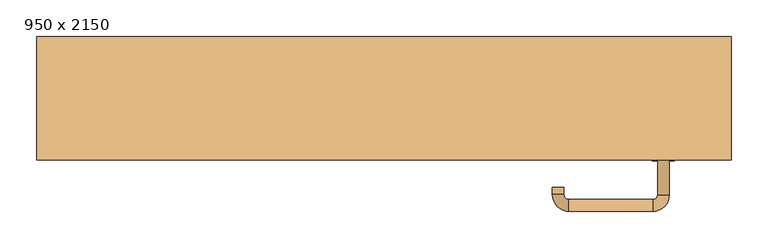
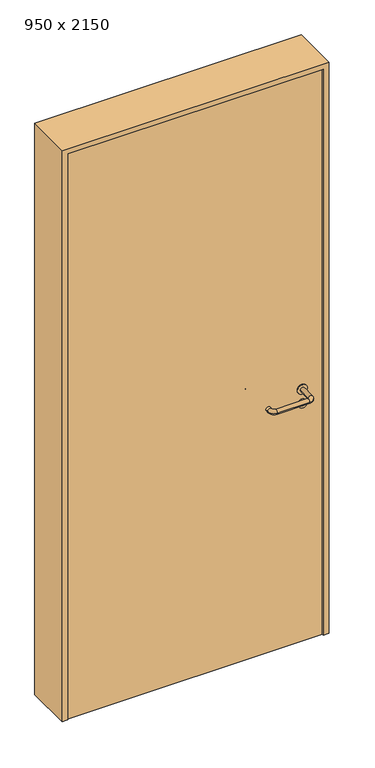
"""IFC4 building model written with IfcOpenShell, lengths in millimetres: door geometry, 950 x 2150."""

from ifc_helpers import new_model, si_unit, point, frame, frame_2d, origin, origin_with_axes, place, context, project, spatial, polyline, circle_curve, ellipse_curve, trimmed, segment, composite_curve, outline, extrude, source, transform, mapped, element, save
from ifc_brep_helpers import plane_surface, cylinder_surface, revolved_surface, advanced_brep


def door_950_x_2150_7a141678(model_context):
    return source(origin(), model_context, "Body", "SolidModel", [
        extrude(outline(composite_curve([segment(trimmed(circle_curve(frame_2d((897.3605726, 382.0)), 15.0), [point((897.3605726, 397.0))], [point((897.3605726, 367.0))], False, "CARTESIAN"), True, "CONTINUOUS"), segment(trimmed(circle_curve(frame_2d((897.3605726, 382.0)), 15.0), [point((897.3605726, 367.0))], [point((897.3605726, 397.0))], False, "CARTESIAN"), True, "CONTINUOUS")], self_intersect=False), holes=[composite_curve([segment(trimmed(circle_curve(frame_2d((892.5833211, 381.9398032)), 2.0), [point((892.5833211, 383.9398032))], [point((892.5833211, 379.9398032))], True, "CARTESIAN"), True, "CONTINUOUS"), segment(polyline([(892.5833211, 379.9398032), (902.5833211, 379.9398032)]), True, "CONTINUOUS"), segment(trimmed(circle_curve(frame_2d((902.5833211, 381.9398032)), 2.0), [point((902.5833211, 379.9398032))], [point((902.5833211, 383.9398032))], True, "CARTESIAN"), True, "CONTINUOUS"), segment(polyline([(902.5833211, 383.9398032), (892.5833211, 383.9398032)]), True, "CONTINUOUS")], self_intersect=False)]), frame((0.0, -50.0, 0.0), z_axis=(0.0, 1.0, 0.0), x_axis=(0.0, 0.0, 1.0)), (0.0, 0.0, 1.0), 6.35),
        extrude(outline(composite_curve([segment(trimmed(circle_curve(frame_2d((950.0, 382.0)), 17.526), [point((950.0, 399.526))], [point((950.0, 364.474))], False, "CARTESIAN"), True, "CONTINUOUS"), segment(trimmed(circle_curve(frame_2d((950.0, 382.0)), 17.526), [point((950.0, 364.474))], [point((950.0, 399.526))], False, "CARTESIAN"), True, "CONTINUOUS")], self_intersect=False)), frame((0.0, -50.0, 0.0), z_axis=(0.0, 1.0, 0.0), x_axis=(0.0, 0.0, 1.0)), (0.0, 0.0, 1.0), 3.175),
        advanced_brep(
        [(390.0, -50.0, 950.0), (374.0, -50.0, 950.0), (390.0, 3.0, 950.0), (374.0, 3.0, 950.0), (367.8578644, 9.1421356, 950.0), (367.8578644, 25.1421356, 950.0), (252.8578644, 25.1421356, 950.0), (252.8578644, 9.1421356, 950.0), (246.008622, 2.2928932, 950.0), (230.008622, 2.2928932, 950.0), (230.008622, -7.7071068, 950.0), (246.008622, -7.7071068, 950.0)],
        [
            (0, 1, circle_curve(frame((382.0, -50.0, 950.0), z_axis=(0.0, -1.0, 0.0), x_axis=(-1.0, 0.0, 0.0)), 8.0)),
            (1, 0, circle_curve(frame((382.0, -50.0, 950.0), z_axis=(0.0, -1.0, 0.0), x_axis=(-1.0, 0.0, 0.0)), 8.0)),
            (0, 2),
            (2, 3, circle_curve(frame((382.0, 3.0, 950.0), z_axis=(0.0, -1.0, 0.0), x_axis=(-1.0, 0.0, 0.0)), 8.0)),
            (3, 1),
            (3, 2, circle_curve(frame((382.0, 3.0, 950.0), z_axis=(0.0, -1.0, 0.0), x_axis=(-1.0, 0.0, 0.0)), 8.0)),
            (4, 3, circle_curve(frame((367.8578644, 3.0, 950.0), z_axis=(0.0, 0.0, -1.0), x_axis=(1.0, 0.0, 0.0)), 6.1421356)),
            (2, 5, circle_curve(frame((367.8578644, 3.0, 950.0), z_axis=(0.0, 0.0, 1.0), x_axis=(1.0, 0.0, 0.0)), 22.1421356)),
            (5, 4, circle_curve(frame((367.8578644, 17.1421356, 950.0), z_axis=(1.0, 0.0, 0.0), x_axis=(0.0, -1.0, 0.0)), 8.0)),
            (4, 5, circle_curve(frame((367.8578644, 17.1421356, 950.0), z_axis=(1.0, 0.0, 0.0), x_axis=(0.0, -1.0, 0.0)), 8.0)),
            (5, 6),
            (6, 7, circle_curve(frame((252.8578644, 17.1421356, 950.0), z_axis=(1.0, 0.0, 0.0), x_axis=(0.0, -1.0, 0.0)), 8.0)),
            (7, 4),
            (7, 6, circle_curve(frame((252.8578644, 17.1421356, 950.0), z_axis=(1.0, 0.0, 0.0), x_axis=(0.0, -1.0, 0.0)), 8.0)),
            (8, 7, circle_curve(frame((252.8578644, 2.2928932, 950.0), z_axis=(0.0, 0.0, -1.0), x_axis=(0.0, 1.0, 0.0)), 6.8492424)),
            (6, 9, circle_curve(frame((252.8578644, 2.2928932, 950.0), z_axis=(0.0, 0.0, 1.0), x_axis=(0.0, 1.0, 0.0)), 22.8492424)),
            (9, 8, circle_curve(frame((238.008622, 2.2928932, 950.0), z_axis=(0.0, 1.0, 0.0), x_axis=(1.0, 0.0, 0.0)), 8.0)),
            (8, 9, circle_curve(frame((238.008622, 2.2928932, 950.0), z_axis=(0.0, 1.0, 0.0), x_axis=(1.0, 0.0, 0.0)), 8.0)),
            (10, 11, circle_curve(frame((238.008622, -7.7071068, 950.0), z_axis=(0.0, -1.0, 0.0), x_axis=(1.0, 0.0, 0.0)), 8.0)),
            (11, 10, circle_curve(frame((238.008622, -7.7071068, 950.0), z_axis=(0.0, -1.0, 0.0), x_axis=(1.0, 0.0, 0.0)), 8.0)),
            (9, 10),
            (11, 8),
        ],
        [
            plane_surface(frame((382.0, -50.0, 0.0), z_axis=(0.0, -1.0, 0.0), x_axis=(0.0, 0.0, 1.0))),
            cylinder_surface(frame((382.0, -50.0, 950.0), z_axis=(0.0, -1.0, 0.0), x_axis=(-1.0, 0.0, 0.0)), 8.0),
            revolved_surface(trimmed(ellipse_curve(frame((382.0, 3.0, 950.0), z_axis=(0.0, -1.0, 0.0), x_axis=(-1.0, 0.0, 0.0)), 8.0, 8.0), [point((390.0, 3.0, 950.0))], [point((374.0, 3.0, 950.0))], True, "CARTESIAN"), (367.8578644, 3.0, 0.0), (0.0, 0.0, 1.0)),
            revolved_surface(trimmed(ellipse_curve(frame((382.0, 3.0, 950.0), z_axis=(0.0, -1.0, 0.0), x_axis=(-1.0, 0.0, 0.0)), 8.0, 8.0), [point((374.0, 3.0, 950.0))], [point((390.0, 3.0, 950.0))], True, "CARTESIAN"), (367.8578644, 3.0, 0.0), (0.0, 0.0, 1.0)),
            cylinder_surface(frame((367.8578644, 17.1421356, 950.0), z_axis=(1.0, 0.0, 0.0), x_axis=(0.0, -1.0, 0.0)), 8.0),
            revolved_surface(trimmed(ellipse_curve(frame((252.8578644, 17.1421356, 950.0), z_axis=(1.0, 0.0, 0.0), x_axis=(0.0, -1.0, 0.0)), 8.0, 8.0), [point((252.8578644, 25.1421356, 950.0))], [point((252.8578644, 9.1421356, 950.0))], True, "CARTESIAN"), (252.8578644, 2.2928932, 0.0), (0.0, 0.0, 1.0)),
            revolved_surface(trimmed(ellipse_curve(frame((252.8578644, 17.1421356, 950.0), z_axis=(1.0, 0.0, 0.0), x_axis=(0.0, -1.0, 0.0)), 8.0, 8.0), [point((252.8578644, 9.1421356, 950.0))], [point((252.8578644, 25.1421356, 950.0))], True, "CARTESIAN"), (252.8578644, 2.2928932, 0.0), (0.0, 0.0, 1.0)),
            plane_surface(frame((238.008622, -7.7071068, 0.0), z_axis=(0.0, -1.0, 0.0), x_axis=(0.0, 0.0, 1.0))),
            cylinder_surface(frame((238.008622, 2.2928932, 950.0), z_axis=(0.0, 1.0, 0.0), x_axis=(1.0, 0.0, 0.0)), 8.0),
        ],
        [
            (0, [[1, 2]]),
            (1, [[-1, 3, 4, 5]]),
            (1, [[-2, -5, 6, -3]]),
            (2, [[7, -4, 8, 9]]),
            (3, [[-8, -6, -7, 10]]),
            (4, [[-9, 11, 12, 13]]),
            (4, [[-10, -13, 14, -11]]),
            (5, [[15, -12, 16, 17]]),
            (6, [[-16, -14, -15, 18]]),
            (7, [[19, 20]]),
            (8, [[-17, 21, -20, 22]]),
            (8, [[-18, -22, -19, -21]]),
        ],
    ),
        extrude(outline(composite_curve([segment(trimmed(circle_curve(frame_2d((0.0, 15.0)), 15.0), [point((0.0, 30.0))], [point((0.0, 0.0))], False, "CARTESIAN"), True, "CONTINUOUS"), segment(trimmed(circle_curve(frame_2d((0.0, 15.0)), 15.0), [point((0.0, 0.0))], [point((0.0, 30.0))], False, "CARTESIAN"), True, "CONTINUOUS")], self_intersect=False), holes=[composite_curve([segment(trimmed(circle_curve(frame_2d((-4.7772515, 14.9398032)), 2.0), [point((-4.7772515, 16.9398032))], [point((-4.7772515, 12.9398032))], True, "CARTESIAN"), True, "CONTINUOUS"), segment(polyline([(-4.7772515, 12.9398032), (5.2227485, 12.9398032)]), True, "CONTINUOUS"), segment(trimmed(circle_curve(frame_2d((5.2227485, 14.9398032)), 2.0), [point((5.2227485, 12.9398032))], [point((5.2227485, 16.9398032))], True, "CARTESIAN"), True, "CONTINUOUS"), segment(polyline([(5.2227485, 16.9398032), (-4.7772515, 16.9398032)]), True, "CONTINUOUS")], self_intersect=False)]), frame((367.0, -86.35, 897.3605726), z_axis=(-1.8870575173328306e-12, 1.0, 0.0), x_axis=(0.0, 0.0, 1.0)), (0.0, 0.0, 1.0), 6.35),
        extrude(outline(composite_curve([segment(trimmed(circle_curve(frame_2d((0.0, 17.526)), 17.526), [point((0.0, 35.052))], [point((0.0, 0.0))], False, "CARTESIAN"), True, "CONTINUOUS"), segment(trimmed(circle_curve(frame_2d((0.0, 17.526)), 17.526), [point((0.0, 0.0))], [point((0.0, 35.052))], False, "CARTESIAN"), True, "CONTINUOUS")], self_intersect=False)), frame((364.474, -83.175, 950.0), z_axis=(-1.8870575173328306e-12, 1.0, 0.0), x_axis=(0.0, 0.0, 1.0)), (0.0, 0.0, 1.0), 3.175),
        advanced_brep(
        [(390.0, -80.0, 950.0), (374.0, -80.0, 950.0), (374.0, -133.0, 950.0), (390.0, -133.0, 950.0), (367.8578644, -139.1421356, 950.0), (367.8578644, -155.1421356, 950.0), (252.8578644, -139.1421356, 950.0), (252.8578644, -155.1421356, 950.0), (246.008622, -132.2928932, 950.0), (230.008622, -132.2928932, 950.0), (230.008622, -122.2928932, 950.0), (246.008622, -122.2928932, 950.0)],
        [
            (0, 1, circle_curve(frame((382.0, -80.0, 950.0), z_axis=(-1.888672253512351e-12, 1.0, 0.0), x_axis=(-1.0, -1.888672253512351e-12, 0.0)), 8.0)),
            (1, 0, circle_curve(frame((382.0, -80.0, 950.0), z_axis=(-1.888672253512351e-12, 1.0, 0.0), x_axis=(-1.0, -1.888672253512351e-12, 0.0)), 8.0)),
            (1, 2),
            (2, 3, circle_curve(frame((382.0, -133.0, 950.0), z_axis=(-1.888672253512351e-12, 1.0, 0.0), x_axis=(-1.0, -1.888672253512351e-12, 0.0)), 8.0)),
            (3, 0),
            (3, 2, circle_curve(frame((382.0, -133.0, 950.0), z_axis=(-1.888672253512351e-12, 1.0, 0.0), x_axis=(-1.0, -1.888672253512351e-12, 0.0)), 8.0)),
            (4, 5, circle_curve(frame((367.8578644, -147.1421356, 950.0), z_axis=(1.0, 1.913702061528922e-12, 0.0), x_axis=(-1.913702061528922e-12, 1.0, 0.0)), 8.0)),
            (5, 3, circle_curve(frame((367.8578644, -133.0, 950.0), z_axis=(0.0, 0.0, 1.0), x_axis=(1.0, 1.880717803715015e-12, 0.0)), 22.1421356)),
            (2, 4, circle_curve(frame((367.8578644, -133.0, 950.0), z_axis=(0.0, 0.0, -1.0), x_axis=(1.0, 1.880717803715015e-12, 0.0)), 6.1421356)),
            (5, 4, circle_curve(frame((367.8578644, -147.1421356, 950.0), z_axis=(1.0, 1.913702061528922e-12, 0.0), x_axis=(-1.913702061528922e-12, 1.0, 0.0)), 8.0)),
            (4, 6),
            (6, 7, circle_curve(frame((252.8578644, -147.1421356, 950.0), z_axis=(1.0, 1.913719828541269e-12, 0.0), x_axis=(-1.913719828541269e-12, 1.0, 0.0)), 8.0)),
            (7, 5),
            (7, 6, circle_curve(frame((252.8578644, -147.1421356, 950.0), z_axis=(1.0, 1.913719828541269e-12, 0.0), x_axis=(-1.913719828541269e-12, 1.0, 0.0)), 8.0)),
            (8, 9, circle_curve(frame((238.008622, -132.2928932, 950.0), z_axis=(1.8888942981172756e-12, -1.0, 0.0), x_axis=(1.0, 1.8888942981172756e-12, 0.0)), 8.0)),
            (9, 7, circle_curve(frame((252.8578644, -132.2928932, 950.0), z_axis=(0.0, 0.0, 1.0), x_axis=(1.9120873253494017e-12, -1.0, 0.0)), 22.8492424)),
            (6, 8, circle_curve(frame((252.8578644, -132.2928932, 950.0), z_axis=(0.0, 0.0, -1.0), x_axis=(1.9120873253494017e-12, -1.0, 0.0)), 6.8492424)),
            (9, 8, circle_curve(frame((238.008622, -132.2928932, 950.0), z_axis=(1.890448610351751e-12, -1.0, 0.0), x_axis=(1.0, 1.890448610351751e-12, 0.0)), 8.0)),
            (10, 11, circle_curve(frame((238.008622, -122.2928932, 950.0), z_axis=(-1.8903642334018795e-12, 1.0, 0.0), x_axis=(1.0, 1.8903642334018795e-12, 0.0)), 8.0)),
            (11, 10, circle_curve(frame((238.008622, -122.2928932, 950.0), z_axis=(-1.8903642334018795e-12, 1.0, 0.0), x_axis=(1.0, 1.8903642334018795e-12, 0.0)), 8.0)),
            (8, 11),
            (10, 9),
        ],
        [
            plane_surface(frame((382.0, -80.0, 0.0), z_axis=(-1.8870575173328306e-12, 1.0, 0.0), x_axis=(0.0, 0.0, 1.0))),
            cylinder_surface(frame((382.0, -80.0, 950.0), z_axis=(-1.888672253512351e-12, 1.0, 0.0), x_axis=(-1.0, -1.888672253512351e-12, 0.0)), 8.0),
            revolved_surface(trimmed(ellipse_curve(frame((382.0, -133.0, 950.0), z_axis=(1.8823325398945356e-12, -1.0, 0.0), x_axis=(-1.0, -1.8823325398945356e-12, 0.0)), 8.0, 8.0), [point((390.0, -133.0, 950.0))], [point((374.0, -133.0, 950.0))], True, "CARTESIAN"), (367.8578644, -133.0, 0.0), (0.0, 0.0, 1.0)),
            revolved_surface(trimmed(ellipse_curve(frame((382.0, -133.0, 950.0), z_axis=(1.8823325398945356e-12, -1.0, 0.0), x_axis=(-1.0, -1.8823325398945356e-12, 0.0)), 8.0, 8.0), [point((374.0, -133.0, 950.0))], [point((390.0, -133.0, 950.0))], True, "CARTESIAN"), (367.8578644, -133.0, 0.0), (0.0, 0.0, 1.0)),
            cylinder_surface(frame((367.8578644, -147.1421356, 950.0), z_axis=(1.0, 1.913719828541269e-12, 0.0), x_axis=(-1.913719828541269e-12, 1.0, 0.0)), 8.0),
            revolved_surface(trimmed(ellipse_curve(frame((252.8578644, -147.1421356, 950.0), z_axis=(-1.0, -1.913702061528922e-12, 0.0), x_axis=(-1.913702061528922e-12, 1.0, 0.0)), 8.0, 8.0), [point((252.8578644, -155.1421356, 950.0))], [point((252.8578644, -139.1421356, 950.0))], True, "CARTESIAN"), (252.8578644, -132.2928932, 0.0), (0.0, 0.0, 1.0)),
            revolved_surface(trimmed(ellipse_curve(frame((252.8578644, -147.1421356, 950.0), z_axis=(-1.0, -1.913702061528922e-12, 0.0), x_axis=(-1.913702061528922e-12, 1.0, 0.0)), 8.0, 8.0), [point((252.8578644, -139.1421356, 950.0))], [point((252.8578644, -155.1421356, 950.0))], True, "CARTESIAN"), (252.8578644, -132.2928932, 0.0), (0.0, 0.0, 1.0)),
            plane_surface(frame((238.008622, -122.2928932, 0.0), z_axis=(-1.8887494972223595e-12, 1.0, 0.0), x_axis=(0.0, 0.0, 1.0))),
            cylinder_surface(frame((238.008622, -132.2928932, 950.0), z_axis=(1.8903642334018795e-12, -1.0, 0.0), x_axis=(1.0, 1.8903642334018795e-12, 0.0)), 8.0),
        ],
        [
            (0, [[1, 2]]),
            (1, [[3, 4, 5, -2]]),
            (1, [[-5, 6, -3, -1]]),
            (2, [[7, 8, -4, 9]]),
            (3, [[10, -9, -6, -8]]),
            (4, [[11, 12, 13, -7]]),
            (4, [[-13, 14, -11, -10]]),
            (5, [[15, 16, -12, 17]]),
            (6, [[18, -17, -14, -16]]),
            (7, [[19, 20]]),
            (8, [[21, -19, 22, -15]]),
            (8, [[-22, -20, -21, -18]]),
        ],
    ),
        extrude(outline(polyline([(2130.0, 455.0), (0.0, 455.0), (0.0, 475.0), (2150.0, 475.0), (2150.0, -475.0), (0.0, -475.0), (0.0, -455.0), (2130.0, -455.0), (2130.0, 455.0)])), frame((0.0, -85.0, 0.0), z_axis=(0.0, 1.0, 0.0), x_axis=(0.0, 0.0, 1.0)), (0.0, 0.0, 1.0), 169.0),
        extrude(outline(polyline([(-455.0, -80.0), (-455.0, -50.0), (455.0, -50.0), (455.0, -80.0), (-455.0, -80.0)])), origin_with_axes(), (0.0, 0.0, 1.0), 2130.0),
    ])


if __name__ == "__main__":
    model = new_model("IFC4")
    model_context = context("Model", 3, world=origin())
    ifc_project = project(units=[si_unit("LENGTHUNIT", "METRE", prefix="MILLI")], contexts=[model_context])
    site = spatial("IfcSite", under=ifc_project)
    building = spatial("IfcBuilding", under=site)
    placement = place(None, origin())
    door_950_x_2150_shape = door_950_x_2150_7a141678(model_context)
    element("IfcDoor", 1, ObjectType="950 x 2150", at=placement, inside=building, context=model_context, shape_type="MappedRepresentation", body=[
        mapped(door_950_x_2150_shape, transform((0.0, 0.0, 0.0), x_axis=(1.0, 0.0, 0.0), y_axis=(0.0, 1.0, 0.0), z_axis=(0.0, 0.0, 1.0))),
    ])
    save(model, "model.ifc")
